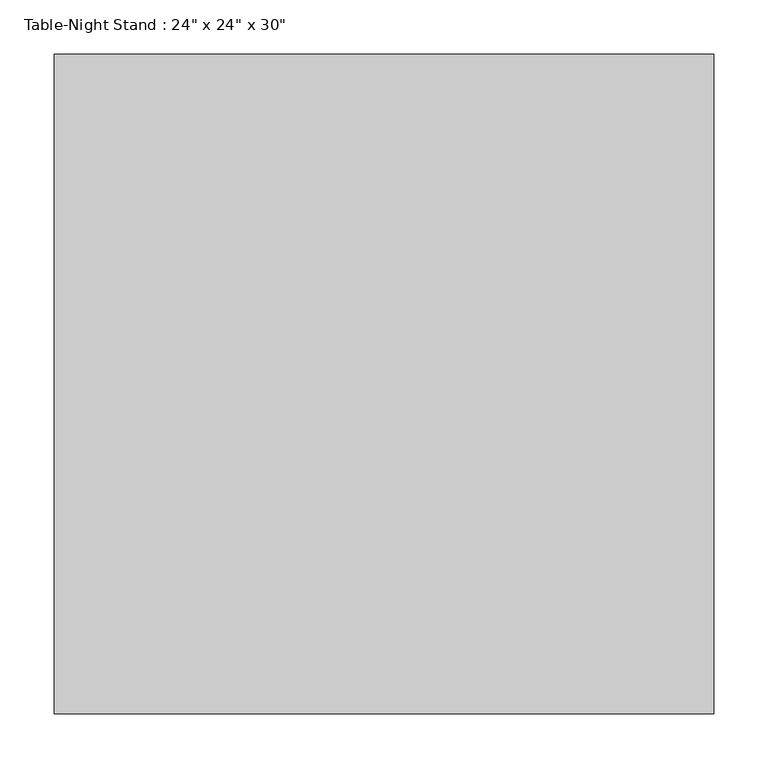
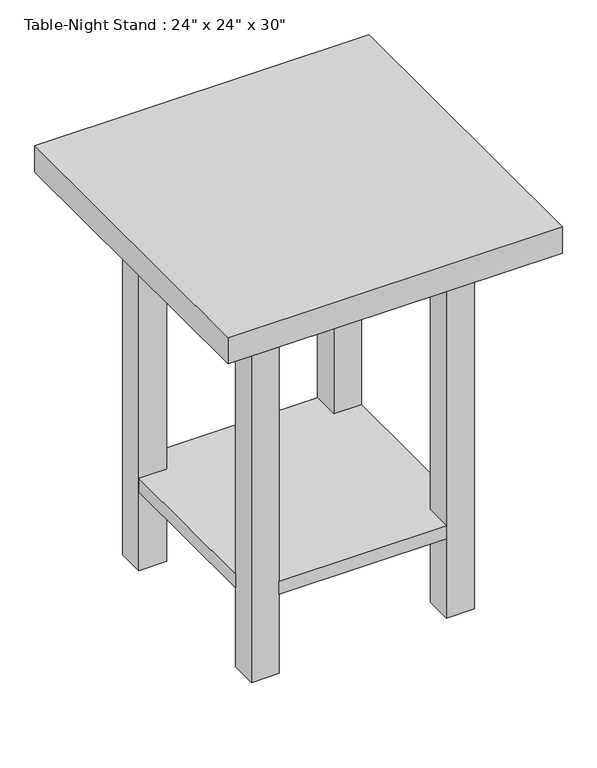
"""IFC4 building model written with IfcOpenShell, lengths in millimetres: furniture geometry."""

import ifcopenshell
import ifcopenshell.guid

model = None  # the IFC model being written
_history = None  # IfcOwnerHistory: only IFC2X3 demands one
_inside = {}  # id of a spatial element -> (the spatial element, [elements in it])
_under = {}  # id of a project, library or spatial element -> (it, [spatial elements below it])
_declared = {}  # id of a project -> (the project, [libraries it declares])
_typed = {}  # id of a type object -> (the type object, [elements of that type])
_made_of = {}  # id of a material, layer set ... -> (it, [elements and type objects made of it])


def new_model(schema):
    """Start an empty IFC model of exactly this schema.

    Asked for "IFC4X3", IfcOpenShell would pick the latest addendum, in which some entities
    have other attributes; the version numbers below select the first issue.
    IFC2X3 requires an IfcOwnerHistory on every rooted entity: one is made here for all.
    """
    global model, _history
    if schema == "IFC4X3":
        model = ifcopenshell.file(schema_version=(4, 3, 0, 0))
    else:
        model = ifcopenshell.file(schema=schema)
    _inside.clear()
    _under.clear()
    _declared.clear()
    _typed.clear()
    _made_of.clear()
    _history = None
    if model.schema == "IFC2X3":
        org = make("IfcOrganization", Name="unknown")
        user = make(
            "IfcPersonAndOrganization",
            ThePerson=make("IfcPerson", FamilyName="unknown"),
            TheOrganization=org,
        )
        app = make(
            "IfcApplication",
            ApplicationDeveloper=org,
            Version="unknown",
            ApplicationFullName="unknown",
            ApplicationIdentifier="unknown",
        )
        _history = make(
            "IfcOwnerHistory",
            OwningUser=user,
            OwningApplication=app,
            ChangeAction="ADDED",
            CreationDate=0,
        )
    return model


def make(cls, **values):
    """One entity of the class cls with the attributes given. An attribute that is None is left unset."""
    return model.create_entity(
        cls, **{name: value for name, value in values.items() if value is not None}
    )


def rooted(cls, **values):
    """An entity with a GlobalId (a new one), such as an element, a storey or a relation."""
    return make(cls, GlobalId=ifcopenshell.guid.new(), OwnerHistory=_history, **values)


def si_unit(unit_type, name, prefix=None):
    """IfcSIUnit, for example si_unit("LENGTHUNIT", "METRE", prefix="MILLI")."""
    return make("IfcSIUnit", UnitType=unit_type, Prefix=prefix, Name=name)


def assignment(units):
    """IfcUnitAssignment: the units of a project."""
    return None if units is None else make("IfcUnitAssignment", Units=units)


def point(xyz):
    """IfcCartesianPoint."""
    return None if xyz is None else make("IfcCartesianPoint", Coordinates=xyz)


def direction(xyz):
    """IfcDirection."""
    return None if xyz is None else make("IfcDirection", DirectionRatios=xyz)


def frame(location, z_axis=None, x_axis=None):
    """IfcAxis2Placement3D, a coordinate frame: its origin and axes. An axis left out is left unset."""
    return make(
        "IfcAxis2Placement3D",
        Location=point(location),
        Axis=direction(z_axis),
        RefDirection=direction(x_axis),
    )


def origin():
    """The frame at (0, 0, 0) with its axes left unset."""
    return frame((0.0, 0.0, 0.0))


def origin_with_axes():
    """The frame at (0, 0, 0) with the z axis (0, 0, 1) and the x axis (1, 0, 0) written out."""
    return frame((0.0, 0.0, 0.0), z_axis=(0.0, 0.0, 1.0), x_axis=(1.0, 0.0, 0.0))


def place(relative_to, where):
    """IfcLocalPlacement: puts the frame where relative to a parent placement (None: the world)."""
    return make(
        "IfcLocalPlacement", PlacementRelTo=relative_to, RelativePlacement=where
    )


def context(
    kind, dimensions, precision=None, world=None, true_north=None, identifier=None
):
    """IfcGeometricRepresentationContext, for example the 3D "Model" context."""
    return make(
        "IfcGeometricRepresentationContext",
        ContextIdentifier=identifier,
        ContextType=kind,
        CoordinateSpaceDimension=dimensions,
        Precision=precision,
        WorldCoordinateSystem=world,
        TrueNorth=true_north,
    )


def project(units=None, contexts=None):
    """IfcProject with its units and contexts."""
    return rooted(
        "IfcProject",
        Name="project",
        RepresentationContexts=contexts,
        UnitsInContext=assignment(units),
    )


def spatial(cls, under=None, at=None, **own):
    """A site, building, storey or space (cls), placed at a placement, below another one or the project."""
    s = rooted(cls, ObjectPlacement=at, **own)
    if under is not None:
        _under.setdefault(under.id(), (under, []))[1].append(s)
    return s


def polyline(points):
    """IfcPolyline through the points."""
    return make("IfcPolyline", Points=[point(p) for p in points])


def outline(outer, holes=None, kind="AREA"):
    """IfcArbitraryClosedProfileDef: a profile drawn as a closed curve; with holes, ...WithVoids."""
    if holes is None:
        return make("IfcArbitraryClosedProfileDef", ProfileType=kind, OuterCurve=outer)
    return make(
        "IfcArbitraryProfileDefWithVoids",
        ProfileType=kind,
        OuterCurve=outer,
        InnerCurves=holes,
    )


def extrude(swept, where, along, depth):
    """IfcExtrudedAreaSolid: the profile swept, set in the frame where, extruded along a direction by depth."""
    return make(
        "IfcExtrudedAreaSolid",
        SweptArea=swept,
        Position=where,
        ExtrudedDirection=direction(along),
        Depth=depth,
    )


def shape(context_of_items, identifier, shape_type, items):
    """IfcShapeRepresentation: the items that make up one representation, for example the "Body"."""
    return make(
        "IfcShapeRepresentation",
        ContextOfItems=context_of_items,
        RepresentationIdentifier=identifier,
        RepresentationType=shape_type,
        Items=items,
    )


def source(mapping_origin, context_of_items, identifier, shape_type, items):
    """IfcRepresentationMap: a shape defined once, which mapped items show again and again."""
    return make(
        "IfcRepresentationMap",
        MappingOrigin=mapping_origin,
        MappedRepresentation=shape(context_of_items, identifier, shape_type, items),
    )


def transform(
    local_origin,
    x_axis=None,
    y_axis=None,
    z_axis=None,
    scale=None,
    scale2=None,
    scale3=None,
    uniform=True,
):
    """IfcCartesianTransformationOperator3D, or its non-uniform kind. x_axis, y_axis, z_axis: its Axis1, 2, 3."""
    if uniform:
        return make(
            "IfcCartesianTransformationOperator3D",
            Axis1=direction(x_axis),
            Axis2=direction(y_axis),
            LocalOrigin=point(local_origin),
            Scale=scale,
            Axis3=direction(z_axis),
        )
    return make(
        "IfcCartesianTransformationOperator3DnonUniform",
        Axis1=direction(x_axis),
        Axis2=direction(y_axis),
        LocalOrigin=point(local_origin),
        Scale=scale,
        Axis3=direction(z_axis),
        Scale2=scale2,
        Scale3=scale3,
    )


def mapped(mapping_source, mapping_target):
    """IfcMappedItem: shows the shape of a source again, moved by a transform."""
    return make(
        "IfcMappedItem", MappingSource=mapping_source, MappingTarget=mapping_target
    )


def made_of(thing, what):
    """Note that an element or type object is made of a material, layer set ...; save() writes the relation."""
    if what is not None:
        _made_of.setdefault(what.id(), (what, []))[1].append(thing)
    return thing


def element(
    cls,
    number,
    at=None,
    inside=None,
    cuts=None,
    type_object=None,
    material=None,
    context=None,
    identifier="Body",
    shape_type=None,
    held_by="IfcProductDefinitionShape",
    body=None,
    shapes=None,
    **own,
):
    """One element of the class cls, such as IfcWall. Its Tag is "e" and its number.

    at: its placement. inside: the storey or other place that contains it. cuts: it is an
    opening in that element (IfcRelVoidsElement). A single representation is given by context,
    identifier, shape_type and body (its items); several are given by shapes. held_by: the class
    of the entity that holds the representations. save() writes the other relations.
    """
    e = rooted(cls, Tag="e%d" % number, ObjectPlacement=at, **own)
    if body is not None:
        shapes = [shape(context, identifier, shape_type, body)]
    if shapes is not None:
        e.Representation = make(held_by, Representations=shapes)
    if inside is not None:
        _inside.setdefault(inside.id(), (inside, []))[1].append(e)
    if cuts is not None:
        rooted(
            "IfcRelVoidsElement", RelatingBuildingElement=cuts, RelatedOpeningElement=e
        )
    if type_object is not None:
        _typed.setdefault(type_object.id(), (type_object, []))[1].append(e)
    return made_of(e, material)


def aggregate(whole, parts):
    """IfcRelAggregates: a whole, such as a stair, and the parts it consists of."""
    return rooted("IfcRelAggregates", RelatingObject=whole, RelatedObjects=parts)


def save(model, path):
    """Write the relations noted so far, then the file.

    IfcRelAggregates (storeys below a building ...), IfcRelContainedInSpatialStructure (elements
    in a storey), IfcRelDefinesByType, IfcRelAssociatesMaterial and IfcRelDeclares: one each for
    every whole, place, type object, material and project.
    """
    for whole, parts in _under.values():
        aggregate(whole, parts)
    for where, things in _inside.values():
        rooted(
            "IfcRelContainedInSpatialStructure",
            RelatedElements=things,
            RelatingStructure=where,
        )
    for kind, things in _typed.values():
        rooted("IfcRelDefinesByType", RelatedObjects=things, RelatingType=kind)
    for what, things in _made_of.values():
        rooted("IfcRelAssociatesMaterial", RelatedObjects=things, RelatingMaterial=what)
    for by, libraries in _declared.values():
        rooted("IfcRelDeclares", RelatingContext=by, RelatedDefinitions=libraries)
    model.write(path)


def furniture_5bc9ed15(model_context):
    return source(origin(), model_context, "Body", "SweptSolid", [
        extrude(outline(polyline([(156.1336303, 508.0), (460.9336303, 508.0), (460.9336303, 457.2), (511.7336303, 457.2), (511.7336303, 152.4), (460.9336303, 152.4), (460.9336303, 101.6), (156.1336303, 101.6), (156.1336303, 152.4), (105.3336303, 152.4), (105.3336303, 457.2), (156.1336303, 457.2), (156.1336303, 508.0)])), frame((0.0, 0.0, 152.4), z_axis=(0.0, 0.0, 1.0), x_axis=(1.0, 0.0, 0.0)), (0.0, 0.0, 1.0), 25.4),
        extrude(outline(polyline([(156.1336303, 508.0), (156.1336303, 457.2), (105.3336303, 457.2), (105.3336303, 508.0), (156.1336303, 508.0)])), origin_with_axes(), (0.0, 0.0, 1.0), 711.2),
        extrude(outline(polyline([(156.1336303, 152.4), (156.1336303, 101.6), (105.3336303, 101.6), (105.3336303, 152.4), (156.1336303, 152.4)])), origin_with_axes(), (0.0, 0.0, 1.0), 711.2),
        extrude(outline(polyline([(511.7336303, 508.0), (511.7336303, 457.2), (460.9336303, 457.2), (460.9336303, 508.0), (511.7336303, 508.0)])), origin_with_axes(), (0.0, 0.0, 1.0), 711.2),
        extrude(outline(polyline([(511.7336303, 152.4), (511.7336303, 101.6), (460.9336303, 101.6), (460.9336303, 152.4), (511.7336303, 152.4)])), origin_with_axes(), (0.0, 0.0, 1.0), 711.2),
        extrude(outline(polyline([(613.3336303, 0.0), (3.7336303, 0.0), (3.7336303, 609.6), (613.3336303, 609.6), (613.3336303, 0.0)])), frame((0.0, 0.0, 711.2), z_axis=(0.0, 0.0, 1.0), x_axis=(1.0, 0.0, 0.0)), (0.0, 0.0, 1.0), 50.8),
    ])


if __name__ == "__main__":
    model = new_model("IFC4")
    model_context = context("Model", 3, world=origin())
    ifc_project = project(units=[si_unit("LENGTHUNIT", "METRE", prefix="MILLI")], contexts=[model_context])
    site = spatial("IfcSite", under=ifc_project)
    building = spatial("IfcBuilding", under=site)
    placement = place(None, origin())
    furniture_shape = furniture_5bc9ed15(model_context)
    element("IfcFurniture", 1, ObjectType="Table-Night Stand : 24\" x 24\" x 30\"", at=placement, inside=building, context=model_context, shape_type="MappedRepresentation", body=[
        mapped(furniture_shape, transform((0.0, 0.0, 0.0), x_axis=(1.0, 0.0, 0.0), y_axis=(0.0, 1.0, 0.0), z_axis=(0.0, 0.0, 1.0))),
    ])
    save(model, "model.ifc")
